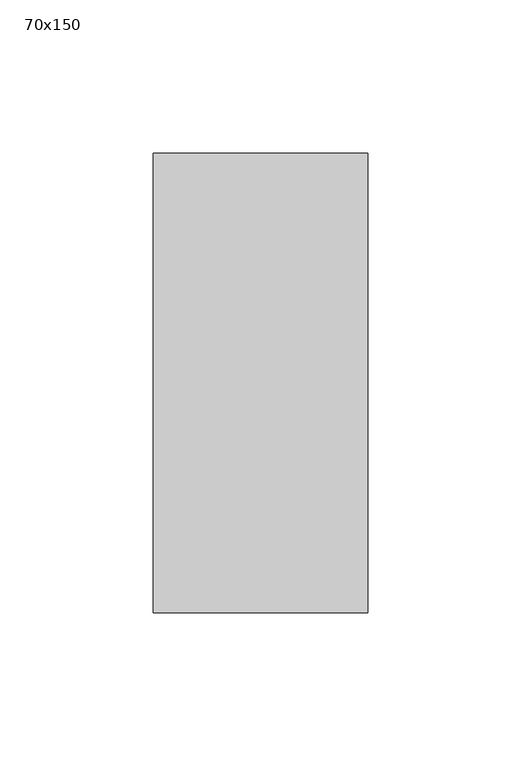
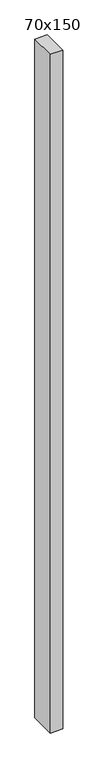
"""IFC4 building model written with IfcOpenShell, lengths in millimetres: member geometry, 70x150."""

from ifc_helpers import new_model, si_unit, frame, origin, place, context, project, spatial, polyline, outline, extrude, source, transform, mapped, element, save


def member_70x150_90c23e20(model_context):
    return source(origin(), model_context, "Body", "SweptSolid", [
        extrude(outline(polyline([(0.0, 75.0), (0.0, -75.0), (-70.0, -75.0), (-70.0, 75.0), (0.0, 75.0)])), frame((0.0, 0.0, -4000.0), z_axis=(0.0, 0.0, 1.0), x_axis=(1.0, 0.0, 0.0)), (0.0, 0.0, 1.0), 4000.0),
    ])


if __name__ == "__main__":
    model = new_model("IFC4")
    model_context = context("Model", 3, world=origin())
    ifc_project = project(units=[si_unit("LENGTHUNIT", "METRE", prefix="MILLI")], contexts=[model_context])
    site = spatial("IfcSite", under=ifc_project)
    building = spatial("IfcBuilding", under=site)
    placement = place(None, origin())
    member_70x150_shape = member_70x150_90c23e20(model_context)
    element("IfcMember", 1, ObjectType="70x150", at=placement, inside=building, context=model_context, shape_type="MappedRepresentation", body=[
        mapped(member_70x150_shape, transform((0.0, 0.0, 0.0), x_axis=(1.0, 0.0, 0.0), y_axis=(0.0, 1.0, 0.0), z_axis=(0.0, 0.0, 1.0))),
    ])
    save(model, "model.ifc")
